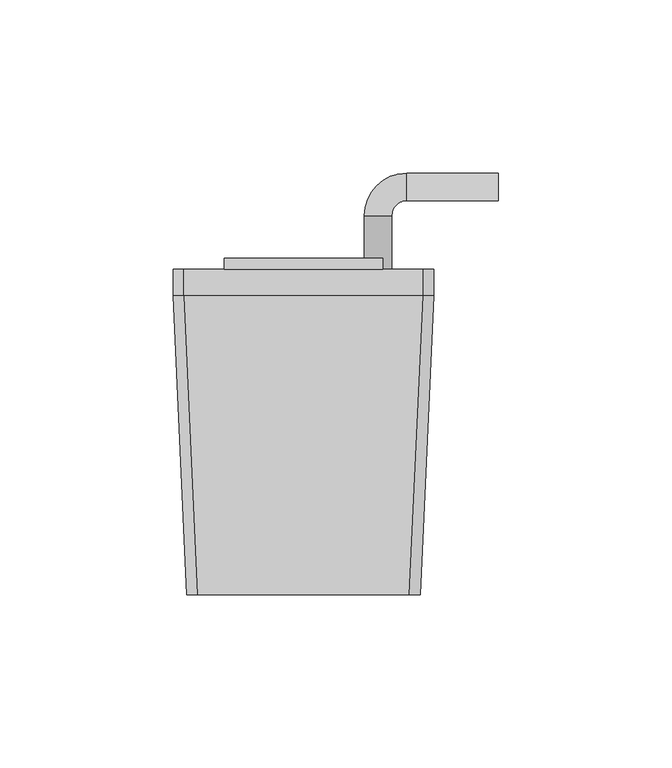
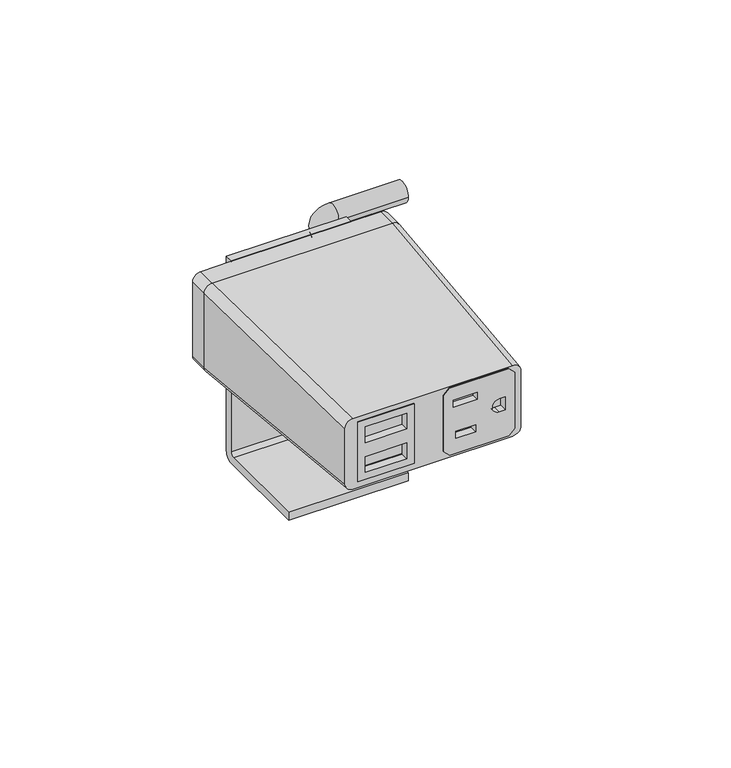
"""IFC4 building model written with IfcOpenShell, lengths in millimetres: furniture geometry."""

from ifc_helpers import new_model, si_unit, point, frame, frame_2d, origin, place, context, project, spatial, polyline, circle_curve, ellipse_curve, trimmed, segment, composite_curve, outline, extrude, source, transform, mapped, element, save
from ifc_brep_helpers import plane_surface, cylinder_surface, revolved_surface, extruded_surface, advanced_brep


def furniture_b18aaa48(model_context):
    return source(origin(), model_context, "Body", "SolidModel", [
        extrude(outline(polyline([(757.4799134, -7.143469), (757.4799134, -28.6985163), (733.4200868, -28.6985163), (733.4200868, -7.143469), (757.4799134, -7.143469)]), holes=[polyline([(748.2899925, -25.8584916), (754.6399205, -25.8584916), (754.6399205, -9.9834931), (748.2899925, -9.9834931), (748.2899925, -25.8584916)]), polyline([(736.2600786, -25.8584916), (742.6100078, -25.8584916), (742.6100078, -9.9834931), (736.2600786, -9.9834931), (736.2600786, -25.8584916)])]), frame((0.0, -88.4452555, 0.0), z_axis=(0.0, 1.0, 0.0), x_axis=(0.0, 0.0, 1.0)), (0.0, 0.0, 1.0), 2.932688),
        extrude(outline(polyline([(756.7010888, 4.0957501), (734.095342, 4.0957501), (731.809368, 6.3817502), (731.809368, 28.9877496), (734.095342, 31.2737497), (756.7010888, 31.2737497), (758.9870639, 28.9877496), (758.9870639, 6.3817502), (756.7010888, 4.0957501)]), holes=[polyline([(753.551524, 7.8041498), (753.551524, 17.0497496), (750.7067576, 17.0497496), (750.7067576, 7.8041498), (753.551524, 7.8041498)]), polyline([(740.800867, 16.3893498), (737.9560995, 16.3893498), (737.9560995, 8.71855), (740.800867, 8.71855), (740.800867, 16.3893498)]), composite_curve([segment(polyline([(742.7820449, 27.7177508), (742.7820449, 25.414376)]), True, "CONTINUOUS"), segment(trimmed(circle_curve(frame_2d((745.398216, 25.414376)), 2.616171), [point((742.7820449, 25.414376))], [point((748.014387, 25.414376))], True, "CARTESIAN"), True, "CONTINUOUS"), segment(polyline([(748.014387, 25.414376), (748.014387, 27.7177508), (742.7820449, 27.7177508)]), True, "CONTINUOUS")], self_intersect=False)]), frame((0.0, -88.4452555, 0.0), z_axis=(0.0, 1.0, 0.0), x_axis=(0.0, 0.0, 1.0)), (0.0, 0.0, 1.0), 2.932688),
        advanced_brep(
        [(-30.6070003, -88.4452555, 759.6222154), (-33.6549997, -88.4452555, 756.5742161), (-33.6549997, -88.4452555, 734.2222158), (-30.6070003, -88.4452555, 731.1742165), (30.6070003, -88.4452555, 731.1742165), (33.6549997, -88.4452555, 734.2222158), (33.6549997, -88.4452555, 756.5742161), (30.6070003, -88.4452555, 759.6222154), (-7.143469, -88.4452555, 757.4799134), (-7.143469, -88.4452555, 733.4200868), (-28.6985163, -88.4452555, 733.4200868), (-28.6985163, -88.4452555, 757.4799134), (4.0957501, -88.4452555, 734.095342), (4.0957501, -88.4452555, 756.7010888), (6.3817502, -88.4452555, 758.9870639), (28.9877496, -88.4452555, 758.9870639), (31.2737497, -88.4452555, 756.7010888), (31.2737497, -88.4452555, 734.095342), (28.9877496, -88.4452555, 731.809368), (6.3817502, -88.4452555, 731.809368), (-34.5440011, -2.0852583, 763.4957163), (34.5440011, -2.0852583, 763.4957163), (37.5920005, -2.0852583, 760.4477169), (37.5920005, -2.0852583, 730.3487155), (34.5440011, -2.0852583, 727.3007162), (-34.5440011, -2.0852583, 727.3007162), (-37.5920005, -2.0852583, 730.3487155), (-37.5920005, -2.0852583, 760.4477169), (-7.143469, -81.347006, 733.4200868), (-7.143469, -81.347006, 757.4799134), (-28.6985163, -81.347006, 757.4799134), (-28.6985163, -81.347006, 733.4200868), (4.0957501, -81.347006, 756.7010888), (4.0957501, -81.347006, 734.095342), (6.3817502, -81.347006, 731.809368), (28.9877496, -81.347006, 731.809368), (31.2737497, -81.347006, 734.095342), (31.2737497, -81.347006, 756.7010888), (28.9877496, -81.347006, 758.9870639), (6.3817502, -81.347006, 758.9870639)],
        [
            (0, 1, circle_curve(frame((-30.6070003, -88.4452555, 756.5742161), z_axis=(0.0, -1.0, 0.0), x_axis=(1.0, 0.0, 0.0)), 3.0479994)),
            (1, 2),
            (2, 3, circle_curve(frame((-30.6070003, -88.4452555, 734.2222158), z_axis=(0.0, -1.0, 0.0), x_axis=(1.0, 0.0, 0.0)), 3.0479994)),
            (3, 4),
            (4, 5, circle_curve(frame((30.6070003, -88.4452555, 734.2222158), z_axis=(0.0, -1.0, 0.0), x_axis=(1.0, 0.0, 0.0)), 3.0479994)),
            (5, 6),
            (6, 7, circle_curve(frame((30.6070003, -88.4452555, 756.5742161), z_axis=(0.0, -1.0, 0.0), x_axis=(1.0, 0.0, 0.0)), 3.0479994)),
            (7, 0),
            (8, 9),
            (9, 10),
            (10, 11),
            (11, 8),
            (12, 13),
            (13, 14),
            (14, 15),
            (15, 16),
            (16, 17),
            (17, 18),
            (18, 19),
            (19, 12),
            (20, 21),
            (21, 22, circle_curve(frame((34.5440011, -2.0852583, 760.4477169), z_axis=(0.0, 1.0, 0.0), x_axis=(1.0, 0.0, 0.0)), 3.0479994)),
            (22, 23),
            (23, 24, circle_curve(frame((34.5440011, -2.0852583, 730.3487155), z_axis=(0.0, 1.0, 0.0), x_axis=(1.0, 0.0, 0.0)), 3.0479994)),
            (24, 25),
            (25, 26, circle_curve(frame((-34.5440011, -2.0852583, 730.3487155), z_axis=(0.0, 1.0, 0.0), x_axis=(1.0, 0.0, 0.0)), 3.0479994)),
            (26, 27),
            (27, 20, circle_curve(frame((-34.5440011, -2.0852583, 760.4477169), z_axis=(0.0, 1.0, 0.0), x_axis=(1.0, 0.0, 0.0)), 3.0479994)),
            (0, 20),
            (27, 1),
            (26, 2),
            (25, 3),
            (24, 4),
            (23, 5),
            (22, 6),
            (21, 7),
            (28, 29),
            (29, 30),
            (30, 31),
            (31, 28),
            (32, 33),
            (33, 34),
            (34, 35),
            (35, 36),
            (36, 37),
            (37, 38),
            (38, 39),
            (39, 32),
            (28, 9),
            (8, 29),
            (11, 30),
            (10, 31),
            (32, 13),
            (12, 33),
            (19, 34),
            (18, 35),
            (17, 36),
            (16, 37),
            (15, 38),
            (14, 39),
        ],
        [
            plane_surface(frame((0.0, -88.4452555, 745.398216), z_axis=(0.0, -1.0, 0.0), x_axis=(-1.0, 0.0, 0.0))),
            plane_surface(frame((0.0, -2.0852583, 745.3982162), z_axis=(0.0, 1.0, 0.0), x_axis=(-1.0, 0.0, 0.0))),
            extruded_surface(trimmed(circle_curve(frame((-34.5440011, -2.0852583, 760.4477169), z_axis=(0.0, -1.0, 0.0), x_axis=(1.0, 0.0, 0.0)), 3.0479994), [point((-34.5440011, -2.0852583, 763.4957163))], [point((-37.5920005, -2.0852583, 760.4477169))], True, "CARTESIAN"), (3.9370008000000034, -86.3599972, -3.8735008000001017), 86.53642643494594),
            plane_surface(frame((-37.5920005, -2.0852583, 745.3982162), z_axis=(-0.9989624728470855, -0.04554094688559129, 0.0), x_axis=(0.0, 0.0, -1.0))),
            extruded_surface(trimmed(circle_curve(frame((-34.5440011, -2.0852583, 730.3487155), z_axis=(0.0, -1.0, 0.0), x_axis=(1.0, 0.0, 0.0)), 3.0479994), [point((-37.5920005, -2.0852583, 730.3487155))], [point((-34.5440011, -2.0852583, 727.3007162))], True, "CARTESIAN"), (3.9370008000000034, -86.3599972, 3.8735002999999324), 86.53642641256518),
            plane_surface(frame((0.0, -2.0852583, 727.3007162), z_axis=(0.0, -0.04480789659317986, -0.998995621813677), x_axis=(1.0, 0.0, 0.0))),
            extruded_surface(trimmed(circle_curve(frame((34.5440011, -2.0852583, 730.3487155), z_axis=(0.0, -1.0, 0.0), x_axis=(1.0, 0.0, 0.0)), 3.0479994), [point((34.5440011, -2.0852583, 727.3007162))], [point((37.5920005, -2.0852583, 730.3487155))], True, "CARTESIAN"), (-3.9370008000000034, -86.3599972, 3.8735002999999324), 86.53642641256518),
            plane_surface(frame((37.5920005, -2.0852583, 745.3982162), z_axis=(0.9989624728470853, -0.04554094688559441, 0.0), x_axis=(0.0, 0.0, 1.0))),
            extruded_surface(trimmed(circle_curve(frame((34.5440011, -2.0852583, 760.4477169), z_axis=(0.0, -1.0, 0.0), x_axis=(1.0, 0.0, 0.0)), 3.0479994), [point((37.5920005, -2.0852583, 760.4477169))], [point((34.5440011, -2.0852583, 763.4957163))], True, "CARTESIAN"), (-3.9370008000000034, -86.3599972, -3.8735008000001017), 86.53642643494594),
            plane_surface(frame((0.0, -2.0852583, 763.4957163), z_axis=(0.0, -0.044807903147433194, 0.9989956215196992), x_axis=(-1.0, 0.0, 0.0))),
            plane_surface(frame((-28.6985163, -81.347006, 733.4200868), z_axis=(0.0, -1.0, 0.0), x_axis=(-1.0, 0.0, 0.0))),
            plane_surface(frame((-7.143469, -81.347006, 757.4799134), z_axis=(-1.0, 0.0, 0.0), x_axis=(0.0, -1.0, 0.0))),
            plane_surface(frame((-28.6985163, -81.347006, 757.4799134), z_axis=(0.0, 0.0, -1.0), x_axis=(0.0, -1.0, 0.0))),
            plane_surface(frame((-28.6985163, -81.347006, 733.4200868), z_axis=(1.0, 0.0, 0.0), x_axis=(0.0, -1.0, 0.0))),
            plane_surface(frame((-7.143469, -81.347006, 733.4200868), z_axis=(0.0, 0.0, 1.0), x_axis=(0.0, -1.0, 0.0))),
            plane_surface(frame((4.0957501, -81.347006, 734.095342), z_axis=(1.0, 0.0, 0.0), x_axis=(0.0, -1.0, 0.0))),
            plane_surface(frame((6.3817502, -81.347006, 731.809368), z_axis=(0.7071027420791393, 0.0, 0.707110820270884), x_axis=(0.0, -1.0, 0.0))),
            plane_surface(frame((28.9877496, -81.347006, 731.809368), z_axis=(0.0, 0.0, 1.0), x_axis=(0.0, -1.0, 0.0))),
            plane_surface(frame((31.2737497, -81.347006, 734.095342), z_axis=(-0.7071027420791182, 0.0, 0.7071108202709051), x_axis=(0.0, -1.0, 0.0))),
            plane_surface(frame((31.2737497, -81.347006, 756.7010888), z_axis=(-1.0, 0.0, 0.0), x_axis=(0.0, -1.0, 0.0))),
            plane_surface(frame((28.9877496, -81.347006, 758.9870639), z_axis=(-0.7071029176939245, 0.0, -0.7071106446580614), x_axis=(0.0, -1.0, 0.0))),
            plane_surface(frame((6.3817502, -81.347006, 758.9870639), z_axis=(0.0, 0.0, -1.0), x_axis=(0.0, -1.0, 0.0))),
            plane_surface(frame((4.0957501, -81.347006, 756.7010888), z_axis=(0.7071029176939239, 0.0, -0.707110644658062), x_axis=(0.0, -1.0, 0.0))),
        ],
        [
            (0, [[1, 2, 3, 4, 5, 6, 7, 8], [9, 10, 11, 12], [13, 14, 15, 16, 17, 18, 19, 20]]),
            (1, [[21, 22, 23, 24, 25, 26, 27, 28]]),
            (2, [[-1, 29, -28, 30]]),
            (3, [[-2, -30, -27, 31]]),
            (4, [[-3, -31, -26, 32]]),
            (5, [[-4, -32, -25, 33]]),
            (6, [[-5, -33, -24, 34]]),
            (7, [[-6, -34, -23, 35]]),
            (8, [[-7, -35, -22, 36]]),
            (9, [[-8, -36, -21, -29]]),
            (10, [[37, 38, 39, 40]]),
            (10, [[41, 42, 43, 44, 45, 46, 47, 48]]),
            (11, [[-37, 49, -9, 50]]),
            (12, [[-38, -50, -12, 51]]),
            (13, [[-39, -51, -11, 52]]),
            (14, [[-40, -52, -10, -49]]),
            (15, [[-41, 53, -13, 54]]),
            (16, [[-42, -54, -20, 55]]),
            (17, [[-43, -55, -19, 56]]),
            (18, [[-44, -56, -18, 57]]),
            (19, [[-45, -57, -17, 58]]),
            (20, [[-46, -58, -16, 59]]),
            (21, [[-47, -59, -15, 60]]),
            (22, [[-48, -60, -14, -53]]),
        ],
    ),
        advanced_brep(
        [(22.8600009, 8.7097421, 763.690817), (-22.8600009, 8.7097421, 763.690817), (-22.8600009, 5.5347423, 763.690817), (22.8600009, 5.5347423, 763.690817), (22.8600009, 8.7097421, 753.5169016), (17.5720243, 8.7097421, 749.7828088), (22.8600009, 8.7097421, 746.048716), (22.8600009, 8.7097421, 685.0380002), (-22.8600009, 8.7097421, 685.0380002), (-22.8600009, 5.5347406, 681.8629986), (-22.8600009, -32.4382589, 681.8629986), (-22.8600009, -32.4382589, 685.0380002), (-22.8600009, 4.0107421, 685.0380002), (-22.8600009, 5.5347423, 686.5620004), (-22.8600009, 5.5347423, 722.3759992), (-22.8600009, 4.0107415, 723.9), (-22.8600009, -26.3422579, 723.9), (-22.8600009, -26.3422579, 727.0750001), (-22.8600009, 5.5347418, 727.0750001), (-22.8600009, 5.5347423, 727.3007162), (-22.8600009, 5.5347418, 763.4957163), (22.8600009, 5.5347423, 763.4957163), (22.8600009, 5.5347423, 727.0750001), (22.8600009, 5.5347423, 727.3007162), (22.8600009, 5.5347418, 753.5169016), (22.8600009, 5.5347423, 686.5620004), (22.8600009, 4.0107421, 685.0380002), (22.8600009, -32.4382589, 685.0380002), (22.8600009, -32.4382589, 681.8629986), (22.8600009, 5.5347406, 681.8629986), (22.8600009, 5.5347418, 746.048716), (22.8600009, -26.3422579, 727.0750001), (22.8600009, -26.3422579, 723.9), (22.8600009, 4.0107415, 723.9), (22.8600009, 5.5347423, 722.3759992), (-34.5440011, -2.0852583, 727.3007162), (34.5440011, -2.0852583, 727.3007162), (37.5920005, -2.0852583, 730.3487155), (37.5920005, -2.0852583, 760.4477169), (34.5440011, -2.0852583, 763.4957163), (-34.5440011, -2.0852583, 763.4957163), (-37.5920005, -2.0852583, 760.4477169), (-37.5920005, -2.0852583, 730.3487155), (-34.5440011, 5.5347418, 727.3007162), (-37.5920005, 5.5347418, 730.3487155), (-37.5920005, 5.5347418, 760.4477169), (-34.5440011, 5.5347418, 763.4957163), (34.5440011, 5.5347418, 763.4957163), (37.5920005, 5.5347418, 760.4477169), (37.5920005, 5.5347418, 730.3487155), (34.5440011, 5.5347418, 727.3007162), (25.4968222, 5.5347418, 749.7828088), (56.2588798, 33.2236057, 749.7828088), (56.2588798, 25.2988078, 749.7828088), (29.7883628, 33.2236057, 749.7828088), (29.7883628, 25.2988078, 749.7828088), (17.5720243, 21.0072671, 749.7828088), (25.4968222, 21.0072671, 749.7828088)],
        [
            (0, 1),
            (1, 2),
            (2, 3),
            (3, 0),
            (0, 4),
            (4, 5, circle_curve(frame((21.5344232, 8.7097421, 749.7828088), z_axis=(0.0, -1.0, 0.0), x_axis=(1.0, 0.0, 0.0)), 3.9623989)),
            (5, 6, circle_curve(frame((21.5344232, 8.7097421, 749.7828088), z_axis=(0.0, -1.0, 0.0), x_axis=(1.0, 0.0, 0.0)), 3.9623989)),
            (6, 7),
            (7, 8),
            (8, 1),
            (8, 9, circle_curve(frame((-22.8600009, 5.5347406, 685.0380002), z_axis=(-1.0, 0.0, 0.0), x_axis=(0.0, 1.0, 0.0)), 3.1750015)),
            (9, 10),
            (10, 11),
            (11, 12),
            (12, 13, circle_curve(frame((-22.8600009, 4.0107421, 686.5620004), z_axis=(1.0, 0.0, 0.0), x_axis=(0.0, 1.0, 0.0)), 1.5240002)),
            (13, 14),
            (14, 15, circle_curve(frame((-22.8600009, 4.0107415, 722.3759992), z_axis=(1.0, 0.0, 0.0), x_axis=(0.0, 1.0, 0.0)), 1.5240008)),
            (15, 16),
            (16, 17),
            (17, 18),
            (18, 19),
            (19, 20),
            (20, 2),
            (20, 21),
            (21, 3),
            (18, 22),
            (22, 23),
            (23, 19),
            (21, 24),
            (24, 4),
            (25, 26, circle_curve(frame((22.8600009, 4.0107421, 686.5620004), z_axis=(-1.0, 0.0, 0.0), x_axis=(0.0, 1.0, 0.0)), 1.5240002)),
            (26, 27),
            (27, 28),
            (28, 29),
            (29, 7, circle_curve(frame((22.8600009, 5.5347406, 685.0380002), z_axis=(1.0, 0.0, 0.0), x_axis=(0.0, 1.0, 0.0)), 3.1750015)),
            (6, 30),
            (30, 23),
            (22, 31),
            (31, 32),
            (32, 33),
            (33, 34, circle_curve(frame((22.8600009, 4.0107415, 722.3759992), z_axis=(-1.0, 0.0, 0.0), x_axis=(0.0, 1.0, 0.0)), 1.5240008)),
            (34, 25),
            (13, 25),
            (34, 14),
            (33, 15),
            (32, 16),
            (31, 17),
            (29, 9),
            (28, 10),
            (27, 11),
            (26, 12),
            (35, 36),
            (36, 37, circle_curve(frame((34.5440011, -2.0852583, 730.3487155), z_axis=(0.0, -1.0, 0.0), x_axis=(-1.0, 0.0, 0.0)), 3.0479994)),
            (37, 38),
            (38, 39, circle_curve(frame((34.5440011, -2.0852583, 760.4477169), z_axis=(0.0, -1.0, 0.0), x_axis=(-1.0, 0.0, 0.0)), 3.0479994)),
            (39, 40),
            (40, 41, circle_curve(frame((-34.5440011, -2.0852583, 760.4477169), z_axis=(0.0, -1.0, 0.0), x_axis=(-1.0, 0.0, 0.0)), 3.0479994)),
            (41, 42),
            (42, 35, circle_curve(frame((-34.5440011, -2.0852583, 730.3487155), z_axis=(0.0, -1.0, 0.0), x_axis=(-1.0, 0.0, 0.0)), 3.0479994)),
            (43, 44, circle_curve(frame((-34.5440011, 5.5347418, 730.3487155), z_axis=(0.0, 1.0, 0.0), x_axis=(-1.0, 0.0, 0.0)), 3.0479994)),
            (44, 45),
            (45, 46, circle_curve(frame((-34.5440011, 5.5347418, 760.4477169), z_axis=(0.0, 1.0, 0.0), x_axis=(-1.0, 0.0, 0.0)), 3.0479994)),
            (46, 20),
            (19, 43),
            (47, 48, circle_curve(frame((34.5440011, 5.5347418, 760.4477169), z_axis=(0.0, 1.0, 0.0), x_axis=(-1.0, 0.0, 0.0)), 3.0479994)),
            (48, 49),
            (49, 50, circle_curve(frame((34.5440011, 5.5347418, 730.3487155), z_axis=(0.0, 1.0, 0.0), x_axis=(-1.0, 0.0, 0.0)), 3.0479994)),
            (50, 23),
            (30, 51, circle_curve(frame((21.5344232, 5.5347418, 749.7828088), z_axis=(0.0, -1.0, 0.0), x_axis=(1.0, 0.0, 0.0)), 3.9623989)),
            (51, 24, circle_curve(frame((21.5344232, 5.5347418, 749.7828088), z_axis=(0.0, -1.0, 0.0), x_axis=(1.0, 0.0, 0.0)), 3.9623989)),
            (21, 47),
            (35, 43),
            (50, 36),
            (49, 37),
            (48, 38),
            (47, 39),
            (46, 40),
            (45, 41),
            (44, 42),
            (52, 53, circle_curve(frame((56.2588798, 29.2612068, 749.7828088), z_axis=(1.0, 0.0, 0.0), x_axis=(0.0, -1.0, 0.0)), 3.9623989)),
            (53, 52, circle_curve(frame((56.2588798, 29.2612068, 749.7828088), z_axis=(1.0, 0.0, 0.0), x_axis=(0.0, -1.0, 0.0)), 3.9623989)),
            (52, 54),
            (54, 55, circle_curve(frame((29.7883628, 29.2612068, 749.7828088), z_axis=(1.0, 0.0, 0.0), x_axis=(0.0, -1.0, 0.0)), 3.9623989)),
            (55, 53),
            (55, 54, circle_curve(frame((29.7883628, 29.2612068, 749.7828088), z_axis=(1.0, 0.0, 0.0), x_axis=(0.0, -1.0, 0.0)), 3.9623989)),
            (54, 56, circle_curve(frame((29.7883628, 21.0072671, 749.7828088), z_axis=(0.0, 0.0, 1.0), x_axis=(0.0, 1.0, 0.0)), 12.2163386)),
            (56, 57, circle_curve(frame((21.5344232, 21.0072671, 749.7828088), z_axis=(0.0, 1.0, 0.0), x_axis=(1.0, 0.0, 0.0)), 3.9623989)),
            (57, 55, circle_curve(frame((29.7883628, 21.0072671, 749.7828088), z_axis=(0.0, 0.0, -1.0), x_axis=(0.0, 1.0, 0.0)), 4.2915407)),
            (57, 56, circle_curve(frame((21.5344232, 21.0072671, 749.7828088), z_axis=(0.0, 1.0, 0.0), x_axis=(1.0, 0.0, 0.0)), 3.9623989)),
            (56, 5),
            (51, 57),
        ],
        [
            plane_surface(frame((-22.8600009, 8.7097421, 763.690817), z_axis=(0.0, 0.0, 1.0), x_axis=(-1.0, 0.0, 0.0))),
            plane_surface(frame((22.8600009, 8.7097421, 763.690817), z_axis=(0.0, 1.0, 0.0), x_axis=(0.0, 0.0, -1.0))),
            plane_surface(frame((-22.8600009, 8.7097421, 763.690817), z_axis=(-1.0, 0.0, 0.0), x_axis=(0.0, 0.0, -1.0))),
            plane_surface(frame((-22.8600009, 5.5347423, 763.690817), z_axis=(0.0, -1.0, 0.0), x_axis=(0.0, 0.0, -1.0))),
            plane_surface(frame((22.8600009, 5.5347423, 763.690817), z_axis=(1.0, 0.0, 0.0), x_axis=(0.0, 0.0, -1.0))),
            plane_surface(frame((-22.8600009, 5.5347423, 686.5620004), z_axis=(0.0, -1.0, 0.0), x_axis=(1.0, 0.0, 0.0))),
            revolved_surface(polyline([(22.8600009, 5.5347423, 722.3759992), (-22.8600009, 5.5347423, 722.3759992)]), (-22.8600009, 4.0107415, 722.3759992), (1.0, 0.0, 0.0)),
            plane_surface(frame((-22.8600009, 4.0107415, 723.9), z_axis=(0.0, 0.0, -1.0), x_axis=(1.0, 0.0, 0.0))),
            plane_surface(frame((-22.8600009, -26.3422579, 723.9), z_axis=(0.0, -1.0, 0.0), x_axis=(1.0, 0.0, 0.0))),
            plane_surface(frame((-22.8600009, -26.3422579, 727.0750001), z_axis=(0.0, 0.0, 1.0), x_axis=(1.0, 0.0, 0.0))),
            cylinder_surface(frame((-22.8600009, 5.5347406, 685.0380002), z_axis=(-1.0, 0.0, 0.0), x_axis=(0.0, 1.0, 0.0)), 3.1750015),
            plane_surface(frame((-22.8600009, 5.5347406, 681.8629986), z_axis=(0.0, 0.0, -1.0), x_axis=(1.0, 0.0, 0.0))),
            plane_surface(frame((-22.8600009, -32.4382589, 681.8629986), z_axis=(0.0, -1.0, 0.0), x_axis=(1.0, 0.0, 0.0))),
            plane_surface(frame((-22.8600009, -32.4382589, 685.0380002), z_axis=(0.0, 0.0, 1.0), x_axis=(1.0, 0.0, 0.0))),
            revolved_surface(polyline([(22.8600009, 5.5347423, 686.5620004), (-22.8600009, 5.5347423, 686.5620004)]), (-22.8600009, 4.0107421, 686.5620004), (1.0, 0.0, 0.0)),
            plane_surface(frame((0.0, -2.0852583, 723.9), z_axis=(0.0, -1.0, 0.0), x_axis=(0.0, 0.0, 1.0))),
            plane_surface(frame((0.0, 5.5347418, 723.9), z_axis=(0.0, 1.0, 0.0), x_axis=(0.0, 0.0, 1.0))),
            plane_surface(frame((-34.5440011, -2.0852583, 727.3007162), z_axis=(0.0, 0.0, -1.0), x_axis=(0.0, 1.0, 0.0))),
            cylinder_surface(frame((34.5440011, -2.0852583, 730.3487155), z_axis=(0.0, -1.0, 0.0), x_axis=(-1.0, 0.0, 0.0)), 3.0479994),
            plane_surface(frame((37.5920005, -2.0852583, 730.3487155), z_axis=(1.0, 0.0, 0.0), x_axis=(0.0, 1.0, 0.0))),
            cylinder_surface(frame((34.5440011, -2.0852583, 760.4477169), z_axis=(0.0, -1.0, 0.0), x_axis=(-1.0, 0.0, 0.0)), 3.0479994),
            plane_surface(frame((34.5440011, -2.0852583, 763.4957163), z_axis=(0.0, 0.0, 1.0), x_axis=(0.0, 1.0, 0.0))),
            cylinder_surface(frame((-34.5440011, -2.0852583, 760.4477169), z_axis=(0.0, -1.0, 0.0), x_axis=(-1.0, 0.0, 0.0)), 3.0479994),
            plane_surface(frame((-37.5920005, -2.0852583, 760.4477169), z_axis=(-1.0, 0.0, 0.0), x_axis=(0.0, 1.0, 0.0))),
            cylinder_surface(frame((-34.5440011, -2.0852583, 730.3487155), z_axis=(0.0, -1.0, 0.0), x_axis=(-1.0, 0.0, 0.0)), 3.0479994),
            plane_surface(frame((56.2588798, 29.2612068, 723.9), z_axis=(1.0, 0.0, 0.0), x_axis=(0.0, 0.0, 1.0))),
            cylinder_surface(frame((56.2588798, 29.2612068, 749.7828088), z_axis=(1.0, 0.0, 0.0), x_axis=(0.0, -1.0, 0.0)), 3.9623989),
            revolved_surface(trimmed(ellipse_curve(frame((29.7883628, 29.2612068, 749.7828088), z_axis=(1.0, 0.0, 0.0), x_axis=(0.0, -1.0, 0.0)), 3.9623989, 3.9623989), [point((29.7883628, 33.2236057, 749.7828088))], [point((29.7883628, 25.2988078, 749.7828088))], True, "CARTESIAN"), (29.7883628, 21.0072671, 723.9), (0.0, 0.0, 1.0)),
            revolved_surface(trimmed(ellipse_curve(frame((29.7883628, 29.2612068, 749.7828088), z_axis=(1.0, 0.0, 0.0), x_axis=(0.0, -1.0, 0.0)), 3.9623989, 3.9623989), [point((29.7883628, 25.2988078, 749.7828088))], [point((29.7883628, 33.2236057, 749.7828088))], True, "CARTESIAN"), (29.7883628, 21.0072671, 723.9), (0.0, 0.0, 1.0)),
            cylinder_surface(frame((21.5344232, 21.0072671, 749.7828088), z_axis=(0.0, 1.0, 0.0), x_axis=(1.0, 0.0, 0.0)), 3.9623989),
        ],
        [
            (0, [[1, 2, 3, 4]]),
            (1, [[-1, 5, 6, 7, 8, 9, 10]]),
            (2, [[-2, -10, 11, 12, 13, 14, 15, 16, 17, 18, 19, 20, 21, 22, 23]]),
            (3, [[-3, -23, 24, 25]]),
            (3, [[26, 27, 28, -21]]),
            (4, [[-4, -25, 29, 30, -5]]),
            (4, [[31, 32, 33, 34, 35, -8, 36, 37, -27, 38, 39, 40, 41, 42]]),
            (5, [[-16, 43, -42, 44]]),
            (6, [[-17, -44, -41, 45]]),
            (7, [[-18, -45, -40, 46]]),
            (8, [[-19, -46, -39, 47]]),
            (9, [[-20, -47, -38, -26]]),
            (10, [[-11, -9, -35, 48]]),
            (11, [[-12, -48, -34, 49]]),
            (12, [[-13, -49, -33, 50]]),
            (13, [[-14, -50, -32, 51]]),
            (14, [[-15, -51, -31, -43]]),
            (15, [[52, 53, 54, 55, 56, 57, 58, 59]]),
            (16, [[60, 61, 62, 63, -22, 64]]),
            (16, [[65, 66, 67, 68, -37, 69, 70, -29, 71]]),
            (17, [[-52, 72, -64, -28, -68, 73]]),
            (18, [[-53, -73, -67, 74]]),
            (19, [[-54, -74, -66, 75]]),
            (20, [[-55, -75, -65, 76]]),
            (21, [[-56, -76, -71, -24, -63, 77]]),
            (22, [[-57, -77, -62, 78]]),
            (23, [[-58, -78, -61, 79]]),
            (24, [[-59, -79, -60, -72]]),
            (25, [[80, 81]]),
            (26, [[-80, 82, 83, 84]]),
            (26, [[-81, -84, 85, -82]]),
            (27, [[-83, 86, 87, 88]]),
            (28, [[-85, -88, 89, -86]]),
            (29, [[-87, 90, -6, -30, -70, 91]]),
            (29, [[-89, -91, -69, -36, -7, -90]]),
        ],
    ),
    ])


if __name__ == "__main__":
    model = new_model("IFC4")
    model_context = context("Model", 3, world=origin())
    ifc_project = project(units=[si_unit("LENGTHUNIT", "METRE", prefix="MILLI")], contexts=[model_context])
    site = spatial("IfcSite", under=ifc_project)
    building = spatial("IfcBuilding", under=site)
    placement = place(None, origin())
    furniture_shape = furniture_b18aaa48(model_context)
    element("IfcFurniture", 1, at=placement, inside=building, context=model_context, shape_type="MappedRepresentation", body=[
        mapped(furniture_shape, transform((0.0, 0.0, 0.0), x_axis=(1.0, 0.0, 0.0), y_axis=(0.0, 1.0, 0.0), z_axis=(0.0, 0.0, 1.0))),
    ])
    save(model, "model.ifc")
